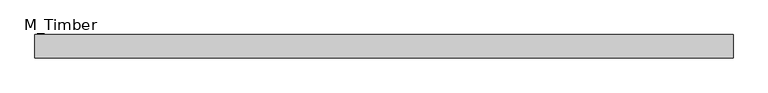
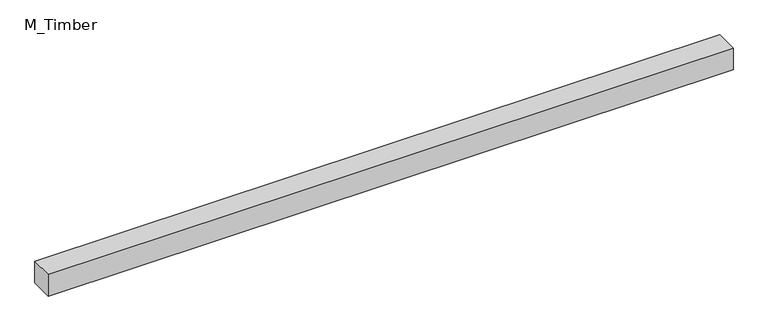
"""IFC4 building model written with IfcOpenShell, lengths in millimetres: beam geometry, M_Timber."""

from ifc_helpers import new_model, si_unit, frame, origin, place, context, project, spatial, polyline, outline, extrude, source, transform, mapped, element, save


def m_timber_75b33936(model_context):
    return source(origin(), model_context, "Body", "SweptSolid", [
        extrude(outline(polyline([(597.9234667, 20.0), (597.9234667, -20.0), (-597.9234667, -20.0), (-597.9234667, 20.0), (597.9234667, 20.0)])), frame((0.0, 0.0, -20.0), z_axis=(0.0, 0.0, 1.0), x_axis=(1.0, 0.0, 0.0)), (0.0, 0.0, 1.0), 40.0),
    ])


if __name__ == "__main__":
    model = new_model("IFC4")
    model_context = context("Model", 3, world=origin())
    ifc_project = project(units=[si_unit("LENGTHUNIT", "METRE", prefix="MILLI")], contexts=[model_context])
    site = spatial("IfcSite", under=ifc_project)
    building = spatial("IfcBuilding", under=site)
    placement = place(None, origin())
    m_timber_shape = m_timber_75b33936(model_context)
    element("IfcBeam", 1, ObjectType="M_Timber", at=placement, inside=building, context=model_context, shape_type="MappedRepresentation", body=[
        mapped(m_timber_shape, transform((0.0, 0.0, 0.0), x_axis=(1.0, 0.0, 0.0), y_axis=(0.0, 1.0, 0.0), z_axis=(0.0, 0.0, 1.0))),
    ])
    save(model, "model.ifc")
